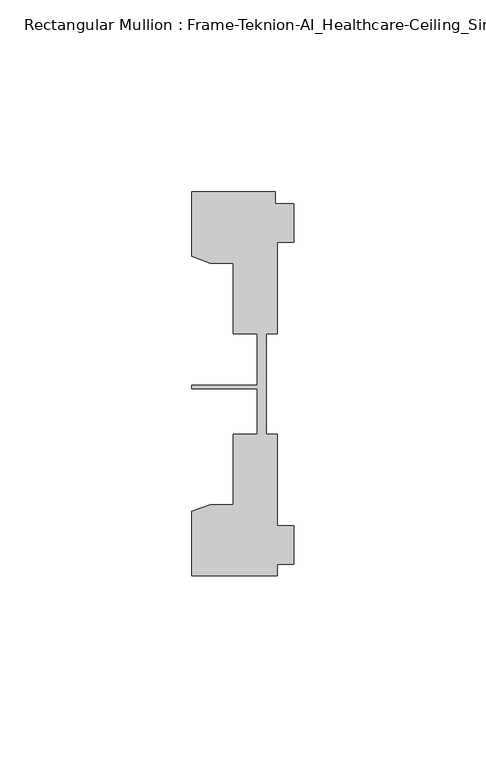
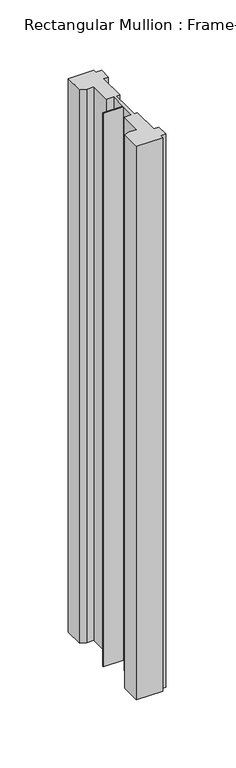
"""IFC4 building model written with IfcOpenShell, lengths in millimetres: member geometry, Rectangular Mullion : Frame-Teknion-AI_Healthcare-Ceiling_Single_Channel."""

import ifcopenshell
import ifcopenshell.guid

model = None  # the IFC model being written
_history = None  # IfcOwnerHistory: only IFC2X3 demands one
_inside = {}  # id of a spatial element -> (the spatial element, [elements in it])
_under = {}  # id of a project, library or spatial element -> (it, [spatial elements below it])
_declared = {}  # id of a project -> (the project, [libraries it declares])
_typed = {}  # id of a type object -> (the type object, [elements of that type])
_made_of = {}  # id of a material, layer set ... -> (it, [elements and type objects made of it])


def new_model(schema):
    """Start an empty IFC model of exactly this schema.

    Asked for "IFC4X3", IfcOpenShell would pick the latest addendum, in which some entities
    have other attributes; the version numbers below select the first issue.
    IFC2X3 requires an IfcOwnerHistory on every rooted entity: one is made here for all.
    """
    global model, _history
    if schema == "IFC4X3":
        model = ifcopenshell.file(schema_version=(4, 3, 0, 0))
    else:
        model = ifcopenshell.file(schema=schema)
    _inside.clear()
    _under.clear()
    _declared.clear()
    _typed.clear()
    _made_of.clear()
    _history = None
    if model.schema == "IFC2X3":
        org = make("IfcOrganization", Name="unknown")
        user = make(
            "IfcPersonAndOrganization",
            ThePerson=make("IfcPerson", FamilyName="unknown"),
            TheOrganization=org,
        )
        app = make(
            "IfcApplication",
            ApplicationDeveloper=org,
            Version="unknown",
            ApplicationFullName="unknown",
            ApplicationIdentifier="unknown",
        )
        _history = make(
            "IfcOwnerHistory",
            OwningUser=user,
            OwningApplication=app,
            ChangeAction="ADDED",
            CreationDate=0,
        )
    return model


def make(cls, **values):
    """One entity of the class cls with the attributes given. An attribute that is None is left unset."""
    return model.create_entity(
        cls, **{name: value for name, value in values.items() if value is not None}
    )


def rooted(cls, **values):
    """An entity with a GlobalId (a new one), such as an element, a storey or a relation."""
    return make(cls, GlobalId=ifcopenshell.guid.new(), OwnerHistory=_history, **values)


def si_unit(unit_type, name, prefix=None):
    """IfcSIUnit, for example si_unit("LENGTHUNIT", "METRE", prefix="MILLI")."""
    return make("IfcSIUnit", UnitType=unit_type, Prefix=prefix, Name=name)


def assignment(units):
    """IfcUnitAssignment: the units of a project."""
    return None if units is None else make("IfcUnitAssignment", Units=units)


def point(xyz):
    """IfcCartesianPoint."""
    return None if xyz is None else make("IfcCartesianPoint", Coordinates=xyz)


def direction(xyz):
    """IfcDirection."""
    return None if xyz is None else make("IfcDirection", DirectionRatios=xyz)


def frame(location, z_axis=None, x_axis=None):
    """IfcAxis2Placement3D, a coordinate frame: its origin and axes. An axis left out is left unset."""
    return make(
        "IfcAxis2Placement3D",
        Location=point(location),
        Axis=direction(z_axis),
        RefDirection=direction(x_axis),
    )


def origin():
    """The frame at (0, 0, 0) with its axes left unset."""
    return frame((0.0, 0.0, 0.0))


def place(relative_to, where):
    """IfcLocalPlacement: puts the frame where relative to a parent placement (None: the world)."""
    return make(
        "IfcLocalPlacement", PlacementRelTo=relative_to, RelativePlacement=where
    )


def context(
    kind, dimensions, precision=None, world=None, true_north=None, identifier=None
):
    """IfcGeometricRepresentationContext, for example the 3D "Model" context."""
    return make(
        "IfcGeometricRepresentationContext",
        ContextIdentifier=identifier,
        ContextType=kind,
        CoordinateSpaceDimension=dimensions,
        Precision=precision,
        WorldCoordinateSystem=world,
        TrueNorth=true_north,
    )


def project(units=None, contexts=None):
    """IfcProject with its units and contexts."""
    return rooted(
        "IfcProject",
        Name="project",
        RepresentationContexts=contexts,
        UnitsInContext=assignment(units),
    )


def spatial(cls, under=None, at=None, **own):
    """A site, building, storey or space (cls), placed at a placement, below another one or the project."""
    s = rooted(cls, ObjectPlacement=at, **own)
    if under is not None:
        _under.setdefault(under.id(), (under, []))[1].append(s)
    return s


def polyline(points):
    """IfcPolyline through the points."""
    return make("IfcPolyline", Points=[point(p) for p in points])


def outline(outer, holes=None, kind="AREA"):
    """IfcArbitraryClosedProfileDef: a profile drawn as a closed curve; with holes, ...WithVoids."""
    if holes is None:
        return make("IfcArbitraryClosedProfileDef", ProfileType=kind, OuterCurve=outer)
    return make(
        "IfcArbitraryProfileDefWithVoids",
        ProfileType=kind,
        OuterCurve=outer,
        InnerCurves=holes,
    )


def extrude(swept, where, along, depth):
    """IfcExtrudedAreaSolid: the profile swept, set in the frame where, extruded along a direction by depth."""
    return make(
        "IfcExtrudedAreaSolid",
        SweptArea=swept,
        Position=where,
        ExtrudedDirection=direction(along),
        Depth=depth,
    )


def shape(context_of_items, identifier, shape_type, items):
    """IfcShapeRepresentation: the items that make up one representation, for example the "Body"."""
    return make(
        "IfcShapeRepresentation",
        ContextOfItems=context_of_items,
        RepresentationIdentifier=identifier,
        RepresentationType=shape_type,
        Items=items,
    )


def source(mapping_origin, context_of_items, identifier, shape_type, items):
    """IfcRepresentationMap: a shape defined once, which mapped items show again and again."""
    return make(
        "IfcRepresentationMap",
        MappingOrigin=mapping_origin,
        MappedRepresentation=shape(context_of_items, identifier, shape_type, items),
    )


def transform(
    local_origin,
    x_axis=None,
    y_axis=None,
    z_axis=None,
    scale=None,
    scale2=None,
    scale3=None,
    uniform=True,
):
    """IfcCartesianTransformationOperator3D, or its non-uniform kind. x_axis, y_axis, z_axis: its Axis1, 2, 3."""
    if uniform:
        return make(
            "IfcCartesianTransformationOperator3D",
            Axis1=direction(x_axis),
            Axis2=direction(y_axis),
            LocalOrigin=point(local_origin),
            Scale=scale,
            Axis3=direction(z_axis),
        )
    return make(
        "IfcCartesianTransformationOperator3DnonUniform",
        Axis1=direction(x_axis),
        Axis2=direction(y_axis),
        LocalOrigin=point(local_origin),
        Scale=scale,
        Axis3=direction(z_axis),
        Scale2=scale2,
        Scale3=scale3,
    )


def mapped(mapping_source, mapping_target):
    """IfcMappedItem: shows the shape of a source again, moved by a transform."""
    return make(
        "IfcMappedItem", MappingSource=mapping_source, MappingTarget=mapping_target
    )


def made_of(thing, what):
    """Note that an element or type object is made of a material, layer set ...; save() writes the relation."""
    if what is not None:
        _made_of.setdefault(what.id(), (what, []))[1].append(thing)
    return thing


def element(
    cls,
    number,
    at=None,
    inside=None,
    cuts=None,
    type_object=None,
    material=None,
    context=None,
    identifier="Body",
    shape_type=None,
    held_by="IfcProductDefinitionShape",
    body=None,
    shapes=None,
    **own,
):
    """One element of the class cls, such as IfcWall. Its Tag is "e" and its number.

    at: its placement. inside: the storey or other place that contains it. cuts: it is an
    opening in that element (IfcRelVoidsElement). A single representation is given by context,
    identifier, shape_type and body (its items); several are given by shapes. held_by: the class
    of the entity that holds the representations. save() writes the other relations.
    """
    e = rooted(cls, Tag="e%d" % number, ObjectPlacement=at, **own)
    if body is not None:
        shapes = [shape(context, identifier, shape_type, body)]
    if shapes is not None:
        e.Representation = make(held_by, Representations=shapes)
    if inside is not None:
        _inside.setdefault(inside.id(), (inside, []))[1].append(e)
    if cuts is not None:
        rooted(
            "IfcRelVoidsElement", RelatingBuildingElement=cuts, RelatedOpeningElement=e
        )
    if type_object is not None:
        _typed.setdefault(type_object.id(), (type_object, []))[1].append(e)
    return made_of(e, material)


def aggregate(whole, parts):
    """IfcRelAggregates: a whole, such as a stair, and the parts it consists of."""
    return rooted("IfcRelAggregates", RelatingObject=whole, RelatedObjects=parts)


def save(model, path):
    """Write the relations noted so far, then the file.

    IfcRelAggregates (storeys below a building ...), IfcRelContainedInSpatialStructure (elements
    in a storey), IfcRelDefinesByType, IfcRelAssociatesMaterial and IfcRelDeclares: one each for
    every whole, place, type object, material and project.
    """
    for whole, parts in _under.values():
        aggregate(whole, parts)
    for where, things in _inside.values():
        rooted(
            "IfcRelContainedInSpatialStructure",
            RelatedElements=things,
            RelatingStructure=where,
        )
    for kind, things in _typed.values():
        rooted("IfcRelDefinesByType", RelatedObjects=things, RelatingType=kind)
    for what, things in _made_of.values():
        rooted("IfcRelAssociatesMaterial", RelatedObjects=things, RelatingMaterial=what)
    for by, libraries in _declared.values():
        rooted("IfcRelDeclares", RelatingContext=by, RelatedDefinitions=libraries)
    model.write(path)


def rectangular_mullion_frame_teknion_ai_healthcare_ceiling_4fe98541(model_context):
    return source(origin(), model_context, "Body", "SweptSolid", [
        extrude(outline(polyline([(-26.4921999, 34.0201677), (-26.4921999, 50.8315128), (-4.7752002, 50.8315128), (-4.7752002, 47.782071), (0.0, 47.782071), (0.0, 37.7820716), (-4.2672007, 37.7820716), (-4.2672007, 13.9110722), (-7.1647766, 13.9110722), (-7.1647766, 0.0814804), (-7.1647766, -12.2509301), (-4.2672007, -12.2509301), (-4.2672007, -36.1219249), (0.0, -36.1219249), (0.0, -46.1219322), (-4.2672007, -46.1219322), (-4.2672007, -49.1699293), (-26.4921999, -49.1699293), (-26.4921999, -32.3600207), (-21.6625199, -30.6279561), (-15.6737764, -30.6279561), (-15.6737764, -12.2509301), (-9.4507761, -12.2509301), (-9.4507761, -0.4036528), (-26.4921999, -0.4036528), (-26.4921999, 0.4036528), (-9.4507761, 0.4036528), (-9.4507761, 13.9110722), (-15.6737764, 13.9110722), (-15.6737764, 32.2880982), (-21.6625199, 32.2880982), (-26.4921999, 34.0201677)])), frame((0.0, 0.0, -495.3), z_axis=(0.0, 0.0, 1.0), x_axis=(1.0, 0.0, 0.0)), (0.0, 0.0, 1.0), 495.3),
    ])


if __name__ == "__main__":
    model = new_model("IFC4")
    model_context = context("Model", 3, world=origin())
    ifc_project = project(units=[si_unit("LENGTHUNIT", "METRE", prefix="MILLI")], contexts=[model_context])
    site = spatial("IfcSite", under=ifc_project)
    building = spatial("IfcBuilding", under=site)
    placement = place(None, origin())
    rectangular_mullion_frame_teknion_ai_healthcare_ceiling_shape = rectangular_mullion_frame_teknion_ai_healthcare_ceiling_4fe98541(model_context)
    element("IfcMember", 1, ObjectType="Rectangular Mullion : Frame-Teknion-AI_Healthcare-Ceiling_Single_Channel", at=placement, inside=building, context=model_context, shape_type="MappedRepresentation", body=[
        mapped(rectangular_mullion_frame_teknion_ai_healthcare_ceiling_shape, transform((0.0, 0.0, 0.0), x_axis=(1.0, 0.0, 0.0), y_axis=(0.0, 1.0, 0.0), z_axis=(0.0, 0.0, 1.0))),
    ])
    save(model, "model.ifc")
